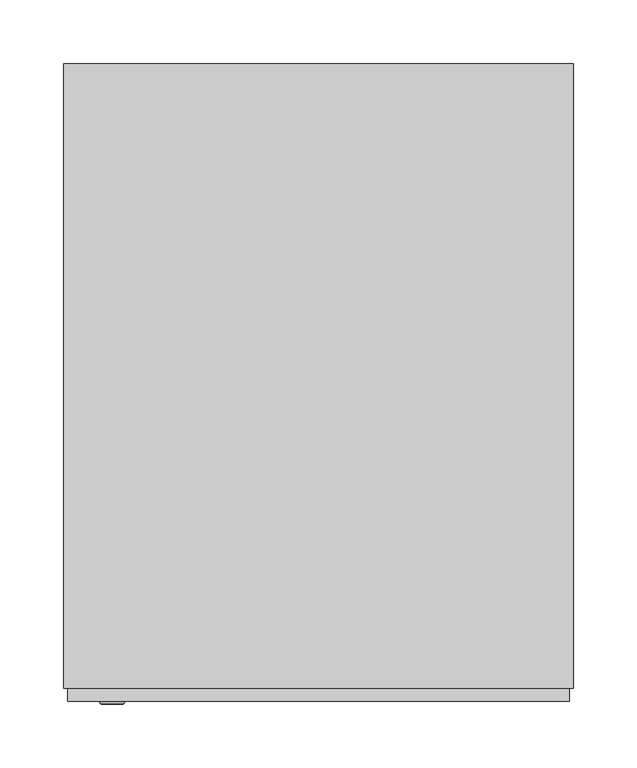
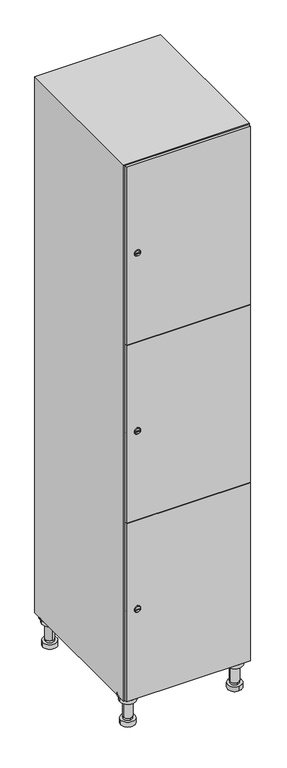
"""IFC4 building model written with IfcOpenShell, lengths in millimetres: furniture geometry."""

from ifc_helpers import new_model, si_unit, point, frame, frame_2d, origin, place, context, project, spatial, polyline, circle_curve, trimmed, segment, composite_curve, outline, extrude, faceted_brep, source, transform, mapped, element, save
from ifc_brep_helpers import plane_surface, cylinder_surface, revolved_surface, advanced_brep


def furniture_b9ff224a(model_context):
    return source(origin(), model_context, "Body", "SolidModel", [
        advanced_brep(
        [(170.0, -201.0, 22.0), (170.0, -201.5, 16.0), (170.0, -228.5, 16.0), (170.0, -229.0, 22.0), (156.0, -215.0, 22.0), (184.0, -215.0, 22.0), (170.0, -192.5, 16.0), (170.0, -237.5, 16.0), (170.0, -192.5, 0.0), (170.0, -237.5, 0.0), (184.0, -215.0, 78.0), (156.0, -215.0, 78.0), (195.0, -215.0, 78.0), (145.0, -215.0, 78.0), (200.0, -215.0, 94.0), (140.0, -215.0, 94.0), (145.0, -215.0, 94.0), (195.0, -215.0, 94.0), (200.0, -215.0, 100.0), (140.0, -215.0, 100.0)],
        [
            (0, 1),
            (1, 2, circle_curve(frame((170.0, -215.0, 16.0), z_axis=(0.0, 0.0, 1.0), x_axis=(0.0, -1.0, 0.0)), 13.5)),
            (2, 3),
            (3, 4, circle_curve(frame((170.0, -215.0, 22.0), z_axis=(0.0, 0.0, -1.0), x_axis=(0.0, -1.0, 0.0)), 14.0)),
            (4, 0, circle_curve(frame((170.0, -215.0, 22.0), z_axis=(0.0, 0.0, -1.0), x_axis=(0.0, -1.0, 0.0)), 14.0)),
            (0, 5, circle_curve(frame((170.0, -215.0, 22.0), z_axis=(0.0, 0.0, -1.0), x_axis=(0.0, 1.0, 0.0)), 14.0)),
            (5, 3, circle_curve(frame((170.0, -215.0, 22.0), z_axis=(0.0, 0.0, -1.0), x_axis=(0.0, 1.0, 0.0)), 14.0)),
            (2, 1, circle_curve(frame((170.0, -215.0, 16.0), z_axis=(0.0, 0.0, 1.0), x_axis=(0.0, 1.0, 0.0)), 13.5)),
            (6, 7, circle_curve(frame((170.0, -215.0, 16.0), z_axis=(0.0, 0.0, 1.0), x_axis=(0.0, -1.0, 0.0)), 22.5)),
            (7, 6, circle_curve(frame((170.0, -215.0, 16.0), z_axis=(0.0, 0.0, 1.0), x_axis=(0.0, -1.0, 0.0)), 22.5)),
            (8, 9, circle_curve(frame((170.0, -215.0, 0.0), z_axis=(0.0, 0.0, -1.0), x_axis=(0.0, -1.0, 0.0)), 22.5)),
            (9, 8, circle_curve(frame((170.0, -215.0, 0.0), z_axis=(0.0, 0.0, -1.0), x_axis=(0.0, -1.0, 0.0)), 22.5)),
            (6, 8),
            (9, 7),
            (5, 10),
            (10, 11, circle_curve(frame((170.0, -215.0, 78.0), z_axis=(0.0, 0.0, -1.0), x_axis=(-1.0, 0.0, 0.0)), 14.0)),
            (11, 4),
            (11, 10, circle_curve(frame((170.0, -215.0, 78.0), z_axis=(0.0, 0.0, -1.0), x_axis=(-1.0, 0.0, 0.0)), 14.0)),
            (12, 13, circle_curve(frame((170.0, -215.0, 78.0), z_axis=(0.0, 0.0, -1.0), x_axis=(-1.0, 0.0, 0.0)), 25.0)),
            (13, 12, circle_curve(frame((170.0, -215.0, 78.0), z_axis=(0.0, 0.0, -1.0), x_axis=(-1.0, 0.0, 0.0)), 25.0)),
            (14, 15, circle_curve(frame((170.0, -215.0, 94.0), z_axis=(0.0, 0.0, -1.0), x_axis=(-1.0, 0.0, 0.0)), 30.0)),
            (15, 14, circle_curve(frame((170.0, -215.0, 94.0), z_axis=(0.0, 0.0, -1.0), x_axis=(-1.0, 0.0, 0.0)), 30.0)),
            (16, 17, circle_curve(frame((170.0, -215.0, 94.0), z_axis=(0.0, 0.0, 1.0), x_axis=(-1.0, 0.0, 0.0)), 25.0)),
            (17, 16, circle_curve(frame((170.0, -215.0, 94.0), z_axis=(0.0, 0.0, 1.0), x_axis=(-1.0, 0.0, 0.0)), 25.0)),
            (18, 19, circle_curve(frame((170.0, -215.0, 100.0), z_axis=(0.0, 0.0, 1.0), x_axis=(-1.0, 0.0, 0.0)), 30.0)),
            (19, 18, circle_curve(frame((170.0, -215.0, 100.0), z_axis=(0.0, 0.0, 1.0), x_axis=(-1.0, 0.0, 0.0)), 30.0)),
            (14, 18),
            (19, 15),
            (12, 17),
            (16, 13),
        ],
        [
            revolved_surface(polyline([(170.0, -201.5, 16.0), (170.0, -201.0, 22.0)]), (170.0, -215.0, -146.0), (0.0, 0.0, 1.0)),
            plane_surface(frame((170.0, 0.0, 16.0), z_axis=(0.0, 0.0, 1.0), x_axis=(0.0, -1.0, 0.0))),
            plane_surface(frame((170.0, 0.0, 0.0), z_axis=(0.0, 0.0, -1.0), x_axis=(0.0, -1.0, 0.0))),
            cylinder_surface(frame((170.0, -215.0, 16.0), z_axis=(0.0, 0.0, 1.0), x_axis=(0.0, -1.0, 0.0)), 22.5),
            cylinder_surface(frame((170.0, -215.0, 22.0), z_axis=(0.0, 0.0, -1.0), x_axis=(-1.0, 0.0, 0.0)), 14.0),
            plane_surface(frame((170.0, 0.0, 78.0), z_axis=(0.0, 0.0, -1.0), x_axis=(0.0, -1.0, 0.0))),
            plane_surface(frame((170.0, 0.0, 94.0), z_axis=(0.0, 0.0, -1.0), x_axis=(0.0, -1.0, 0.0))),
            plane_surface(frame((170.0, 0.0, 100.0), z_axis=(0.0, 0.0, 1.0), x_axis=(0.0, -1.0, 0.0))),
            cylinder_surface(frame((170.0, -215.0, 94.0), z_axis=(0.0, 0.0, -1.0), x_axis=(-1.0, 0.0, 0.0)), 30.0),
            cylinder_surface(frame((170.0, -215.0, 78.0), z_axis=(0.0, 0.0, -1.0), x_axis=(-1.0, 0.0, 0.0)), 25.0),
        ],
        [
            (0, [[1, 2, 3, 4, 5]]),
            (0, [[-1, 6, 7, -3, 8]]),
            (1, [[9, 10], [-2, -8]]),
            (2, [[11, 12]]),
            (3, [[-9, 13, -12, 14]]),
            (3, [[-10, -14, -11, -13]]),
            (4, [[15, 16, 17, -4, -7]]),
            (4, [[-15, -6, -5, -17, 18]]),
            (5, [[19, 20], [-16, -18]]),
            (6, [[21, 22], [23, 24]]),
            (7, [[25, 26]]),
            (8, [[-21, 27, -26, 28]]),
            (8, [[-22, -28, -25, -27]]),
            (9, [[-19, 29, -23, 30]]),
            (9, [[-20, -30, -24, -29]]),
        ],
    ),
        advanced_brep(
        [(-170.0, -201.0, 22.0), (-170.0, -201.5, 16.0), (-170.0, -228.5, 16.0), (-170.0, -229.0, 22.0), (-184.0, -215.0, 22.0), (-156.0, -215.0, 22.0), (-147.5, -215.0, 0.0), (-192.5, -215.0, 0.0), (-147.5, -215.0, 16.0), (-192.5, -215.0, 16.0), (-156.0, -215.0, 78.0), (-184.0, -215.0, 78.0), (-145.0, -215.0, 78.0), (-195.0, -215.0, 78.0), (-140.0, -215.0, 94.0), (-200.0, -215.0, 94.0), (-195.0, -215.0, 94.0), (-145.0, -215.0, 94.0), (-140.0, -215.0, 100.0), (-200.0, -215.0, 100.0)],
        [
            (0, 1),
            (1, 2, circle_curve(frame((-170.0, -215.0, 16.0), z_axis=(0.0, 0.0, 1.0), x_axis=(0.0, -1.0, 0.0)), 13.5)),
            (2, 3),
            (3, 4, circle_curve(frame((-170.0, -215.0, 22.0), z_axis=(0.0, 0.0, -1.0), x_axis=(0.0, -1.0, 0.0)), 14.0)),
            (4, 0, circle_curve(frame((-170.0, -215.0, 22.0), z_axis=(0.0, 0.0, -1.0), x_axis=(0.0, -1.0, 0.0)), 14.0)),
            (0, 5, circle_curve(frame((-170.0, -215.0, 22.0), z_axis=(0.0, 0.0, -1.0), x_axis=(0.0, 1.0, 0.0)), 14.0)),
            (5, 3, circle_curve(frame((-170.0, -215.0, 22.0), z_axis=(0.0, 0.0, -1.0), x_axis=(0.0, 1.0, 0.0)), 14.0)),
            (2, 1, circle_curve(frame((-170.0, -215.0, 16.0), z_axis=(0.0, 0.0, 1.0), x_axis=(0.0, 1.0, 0.0)), 13.5)),
            (6, 7, circle_curve(frame((-170.0, -215.0, 0.0), z_axis=(0.0, 0.0, -1.0), x_axis=(-1.0, 0.0, 0.0)), 22.5)),
            (7, 6, circle_curve(frame((-170.0, -215.0, 0.0), z_axis=(0.0, 0.0, -1.0), x_axis=(-1.0, 0.0, 0.0)), 22.5)),
            (8, 9, circle_curve(frame((-170.0, -215.0, 16.0), z_axis=(0.0, 0.0, 1.0), x_axis=(-1.0, 0.0, 0.0)), 22.5)),
            (9, 8, circle_curve(frame((-170.0, -215.0, 16.0), z_axis=(0.0, 0.0, 1.0), x_axis=(-1.0, 0.0, 0.0)), 22.5)),
            (6, 8),
            (9, 7),
            (5, 10),
            (10, 11, circle_curve(frame((-170.0, -215.0, 78.0), z_axis=(0.0, 0.0, -1.0), x_axis=(-1.0, 0.0, 0.0)), 14.0)),
            (11, 4),
            (11, 10, circle_curve(frame((-170.0, -215.0, 78.0), z_axis=(0.0, 0.0, -1.0), x_axis=(-1.0, 0.0, 0.0)), 14.0)),
            (12, 13, circle_curve(frame((-170.0, -215.0, 78.0), z_axis=(0.0, 0.0, -1.0), x_axis=(-1.0, 0.0, 0.0)), 25.0)),
            (13, 12, circle_curve(frame((-170.0, -215.0, 78.0), z_axis=(0.0, 0.0, -1.0), x_axis=(-1.0, 0.0, 0.0)), 25.0)),
            (14, 15, circle_curve(frame((-170.0, -215.0, 94.0), z_axis=(0.0, 0.0, -1.0), x_axis=(-1.0, 0.0, 0.0)), 30.0)),
            (15, 14, circle_curve(frame((-170.0, -215.0, 94.0), z_axis=(0.0, 0.0, -1.0), x_axis=(-1.0, 0.0, 0.0)), 30.0)),
            (16, 17, circle_curve(frame((-170.0, -215.0, 94.0), z_axis=(0.0, 0.0, 1.0), x_axis=(-1.0, 0.0, 0.0)), 25.0)),
            (17, 16, circle_curve(frame((-170.0, -215.0, 94.0), z_axis=(0.0, 0.0, 1.0), x_axis=(-1.0, 0.0, 0.0)), 25.0)),
            (18, 19, circle_curve(frame((-170.0, -215.0, 100.0), z_axis=(0.0, 0.0, 1.0), x_axis=(-1.0, 0.0, 0.0)), 30.0)),
            (19, 18, circle_curve(frame((-170.0, -215.0, 100.0), z_axis=(0.0, 0.0, 1.0), x_axis=(-1.0, 0.0, 0.0)), 30.0)),
            (14, 18),
            (19, 15),
            (12, 17),
            (16, 13),
        ],
        [
            revolved_surface(polyline([(-170.0, -201.5, 16.0), (-170.0, -201.0, 22.0)]), (-170.0, -215.0, -146.0), (0.0, 0.0, 1.0)),
            plane_surface(frame((-170.0, 0.0, 0.0), z_axis=(0.0, 0.0, -1.0), x_axis=(0.0, -1.0, 0.0))),
            plane_surface(frame((-170.0, 0.0, 16.0), z_axis=(0.0, 0.0, 1.0), x_axis=(0.0, -1.0, 0.0))),
            cylinder_surface(frame((-170.0, -215.0, 0.0), z_axis=(0.0, 0.0, -1.0), x_axis=(-1.0, 0.0, 0.0)), 22.5),
            cylinder_surface(frame((-170.0, -215.0, 22.0), z_axis=(0.0, 0.0, -1.0), x_axis=(-1.0, 0.0, 0.0)), 14.0),
            plane_surface(frame((-170.0, 0.0, 78.0), z_axis=(0.0, 0.0, -1.0), x_axis=(0.0, -1.0, 0.0))),
            plane_surface(frame((-170.0, 0.0, 94.0), z_axis=(0.0, 0.0, -1.0), x_axis=(0.0, -1.0, 0.0))),
            plane_surface(frame((-170.0, 0.0, 100.0), z_axis=(0.0, 0.0, 1.0), x_axis=(0.0, -1.0, 0.0))),
            cylinder_surface(frame((-170.0, -215.0, 94.0), z_axis=(0.0, 0.0, -1.0), x_axis=(-1.0, 0.0, 0.0)), 30.0),
            cylinder_surface(frame((-170.0, -215.0, 78.0), z_axis=(0.0, 0.0, -1.0), x_axis=(-1.0, 0.0, 0.0)), 25.0),
        ],
        [
            (0, [[1, 2, 3, 4, 5]]),
            (0, [[-1, 6, 7, -3, 8]]),
            (1, [[9, 10]]),
            (2, [[11, 12], [-2, -8]]),
            (3, [[-9, 13, -12, 14]]),
            (3, [[-10, -14, -11, -13]]),
            (4, [[15, 16, 17, -4, -7]]),
            (4, [[-15, -6, -5, -17, 18]]),
            (5, [[19, 20], [-16, -18]]),
            (6, [[21, 22], [23, 24]]),
            (7, [[25, 26]]),
            (8, [[-21, 27, -26, 28]]),
            (8, [[-22, -28, -25, -27]]),
            (9, [[-19, 29, -23, 30]]),
            (9, [[-20, -30, -24, -29]]),
        ],
    ),
        advanced_brep(
        [(183.5, 215.0, 16.0), (184.0, 215.0, 22.0), (156.0, 215.0, 22.0), (156.5, 215.0, 16.0), (192.5, 215.0, 0.0), (147.5, 215.0, 0.0), (192.5, 215.0, 16.0), (147.5, 215.0, 16.0), (184.0, 215.0, 78.0), (156.0, 215.0, 78.0), (195.0, 215.0, 78.0), (145.0, 215.0, 78.0), (200.0, 215.0, 94.0), (140.0, 215.0, 94.0), (145.0, 215.0, 94.0), (195.0, 215.0, 94.0), (200.0, 215.0, 100.0), (140.0, 215.0, 100.0)],
        [
            (0, 1),
            (1, 2, circle_curve(frame((170.0, 215.0, 22.0), z_axis=(0.0, 0.0, -1.0), x_axis=(-1.0, 0.0, 0.0)), 14.0)),
            (2, 3),
            (3, 0, circle_curve(frame((170.0, 215.0, 16.0), z_axis=(0.0, 0.0, 1.0), x_axis=(-1.0, 0.0, 0.0)), 13.5)),
            (0, 3, circle_curve(frame((170.0, 215.0, 16.0), z_axis=(0.0, 0.0, 1.0), x_axis=(1.0, 0.0, 0.0)), 13.5)),
            (2, 1, circle_curve(frame((170.0, 215.0, 22.0), z_axis=(0.0, 0.0, -1.0), x_axis=(1.0, 0.0, 0.0)), 14.0)),
            (4, 5, circle_curve(frame((170.0, 215.0, 0.0), z_axis=(0.0, 0.0, -1.0), x_axis=(-1.0, 0.0, 0.0)), 22.5)),
            (5, 4, circle_curve(frame((170.0, 215.0, 0.0), z_axis=(0.0, 0.0, -1.0), x_axis=(-1.0, 0.0, 0.0)), 22.5)),
            (6, 7, circle_curve(frame((170.0, 215.0, 16.0), z_axis=(0.0, 0.0, 1.0), x_axis=(-1.0, 0.0, 0.0)), 22.5)),
            (7, 6, circle_curve(frame((170.0, 215.0, 16.0), z_axis=(0.0, 0.0, 1.0), x_axis=(-1.0, 0.0, 0.0)), 22.5)),
            (4, 6),
            (7, 5),
            (1, 8),
            (8, 9, circle_curve(frame((170.0, 215.0, 78.0), z_axis=(0.0, 0.0, -1.0), x_axis=(-1.0, 0.0, 0.0)), 14.0)),
            (9, 2),
            (9, 8, circle_curve(frame((170.0, 215.0, 78.0), z_axis=(0.0, 0.0, -1.0), x_axis=(-1.0, 0.0, 0.0)), 14.0)),
            (10, 11, circle_curve(frame((170.0, 215.0, 78.0), z_axis=(0.0, 0.0, -1.0), x_axis=(-1.0, 0.0, 0.0)), 25.0)),
            (11, 10, circle_curve(frame((170.0, 215.0, 78.0), z_axis=(0.0, 0.0, -1.0), x_axis=(-1.0, 0.0, 0.0)), 25.0)),
            (12, 13, circle_curve(frame((170.0, 215.0, 94.0), z_axis=(0.0, 0.0, -1.0), x_axis=(-1.0, 0.0, 0.0)), 30.0)),
            (13, 12, circle_curve(frame((170.0, 215.0, 94.0), z_axis=(0.0, 0.0, -1.0), x_axis=(-1.0, 0.0, 0.0)), 30.0)),
            (14, 15, circle_curve(frame((170.0, 215.0, 94.0), z_axis=(0.0, 0.0, 1.0), x_axis=(-1.0, 0.0, 0.0)), 25.0)),
            (15, 14, circle_curve(frame((170.0, 215.0, 94.0), z_axis=(0.0, 0.0, 1.0), x_axis=(-1.0, 0.0, 0.0)), 25.0)),
            (16, 17, circle_curve(frame((170.0, 215.0, 100.0), z_axis=(0.0, 0.0, 1.0), x_axis=(-1.0, 0.0, 0.0)), 30.0)),
            (17, 16, circle_curve(frame((170.0, 215.0, 100.0), z_axis=(0.0, 0.0, 1.0), x_axis=(-1.0, 0.0, 0.0)), 30.0)),
            (12, 16),
            (17, 13),
            (10, 15),
            (14, 11),
        ],
        [
            revolved_surface(polyline([(183.5, 215.0, 16.0), (184.0, 215.0, 22.0)]), (170.0, 215.0, -146.0), (0.0, 0.0, 1.0)),
            plane_surface(frame((170.0, 0.0, 0.0), z_axis=(0.0, 0.0, -1.0), x_axis=(0.0, -1.0, 0.0))),
            plane_surface(frame((170.0, 0.0, 16.0), z_axis=(0.0, 0.0, 1.0), x_axis=(0.0, -1.0, 0.0))),
            cylinder_surface(frame((170.0, 215.0, 0.0), z_axis=(0.0, 0.0, -1.0), x_axis=(-1.0, 0.0, 0.0)), 22.5),
            cylinder_surface(frame((170.0, 215.0, 22.0), z_axis=(0.0, 0.0, -1.0), x_axis=(-1.0, 0.0, 0.0)), 14.0),
            plane_surface(frame((170.0, 0.0, 78.0), z_axis=(0.0, 0.0, -1.0), x_axis=(0.0, -1.0, 0.0))),
            plane_surface(frame((170.0, 0.0, 94.0), z_axis=(0.0, 0.0, -1.0), x_axis=(0.0, -1.0, 0.0))),
            plane_surface(frame((170.0, 0.0, 100.0), z_axis=(0.0, 0.0, 1.0), x_axis=(0.0, -1.0, 0.0))),
            cylinder_surface(frame((170.0, 215.0, 94.0), z_axis=(0.0, 0.0, -1.0), x_axis=(-1.0, 0.0, 0.0)), 30.0),
            cylinder_surface(frame((170.0, 215.0, 78.0), z_axis=(0.0, 0.0, -1.0), x_axis=(-1.0, 0.0, 0.0)), 25.0),
        ],
        [
            (0, [[1, 2, 3, 4]]),
            (0, [[-1, 5, -3, 6]]),
            (1, [[7, 8]]),
            (2, [[9, 10], [-4, -5]]),
            (3, [[-7, 11, -10, 12]]),
            (3, [[-8, -12, -9, -11]]),
            (4, [[13, 14, 15, -2]]),
            (4, [[-13, -6, -15, 16]]),
            (5, [[17, 18], [-14, -16]]),
            (6, [[19, 20], [21, 22]]),
            (7, [[23, 24]]),
            (8, [[-19, 25, -24, 26]]),
            (8, [[-20, -26, -23, -25]]),
            (9, [[-17, 27, -21, 28]]),
            (9, [[-18, -28, -22, -27]]),
        ],
    ),
        advanced_brep(
        [(-156.5, 215.0, 16.0), (-156.0, 215.0, 22.0), (-170.0, 201.0, 22.0), (-184.0, 215.0, 22.0), (-183.5, 215.0, 16.0), (-170.0, 229.0, 22.0), (-147.5, 215.0, 0.0), (-192.5, 215.0, 0.0), (-147.5, 215.0, 16.0), (-192.5, 215.0, 16.0), (-170.0, 229.0, 78.0), (-170.0, 201.0, 78.0), (-145.0, 215.0, 78.0), (-195.0, 215.0, 78.0), (-140.0, 215.0, 94.0), (-200.0, 215.0, 94.0), (-195.0, 215.0, 94.0), (-145.0, 215.0, 94.0), (-140.0, 215.0, 100.0), (-200.0, 215.0, 100.0)],
        [
            (0, 1),
            (1, 2, circle_curve(frame((-170.0, 215.0, 22.0), z_axis=(0.0, 0.0, -1.0), x_axis=(-1.0, 0.0, 0.0)), 14.0)),
            (2, 3, circle_curve(frame((-170.0, 215.0, 22.0), z_axis=(0.0, 0.0, -1.0), x_axis=(-1.0, 0.0, 0.0)), 14.0)),
            (3, 4),
            (4, 0, circle_curve(frame((-170.0, 215.0, 16.0), z_axis=(0.0, 0.0, 1.0), x_axis=(-1.0, 0.0, 0.0)), 13.5)),
            (0, 4, circle_curve(frame((-170.0, 215.0, 16.0), z_axis=(0.0, 0.0, 1.0), x_axis=(1.0, 0.0, 0.0)), 13.5)),
            (3, 5, circle_curve(frame((-170.0, 215.0, 22.0), z_axis=(0.0, 0.0, -1.0), x_axis=(1.0, 0.0, 0.0)), 14.0)),
            (5, 1, circle_curve(frame((-170.0, 215.0, 22.0), z_axis=(0.0, 0.0, -1.0), x_axis=(1.0, 0.0, 0.0)), 14.0)),
            (6, 7, circle_curve(frame((-170.0, 215.0, 0.0), z_axis=(0.0, 0.0, -1.0), x_axis=(-1.0, 0.0, 0.0)), 22.5)),
            (7, 6, circle_curve(frame((-170.0, 215.0, 0.0), z_axis=(0.0, 0.0, -1.0), x_axis=(-1.0, 0.0, 0.0)), 22.5)),
            (8, 9, circle_curve(frame((-170.0, 215.0, 16.0), z_axis=(0.0, 0.0, 1.0), x_axis=(-1.0, 0.0, 0.0)), 22.5)),
            (9, 8, circle_curve(frame((-170.0, 215.0, 16.0), z_axis=(0.0, 0.0, 1.0), x_axis=(-1.0, 0.0, 0.0)), 22.5)),
            (6, 8),
            (9, 7),
            (10, 5),
            (2, 11),
            (11, 10, circle_curve(frame((-170.0, 215.0, 78.0), z_axis=(0.0, 0.0, -1.0), x_axis=(0.0, -1.0, 0.0)), 14.0)),
            (10, 11, circle_curve(frame((-170.0, 215.0, 78.0), z_axis=(0.0, 0.0, -1.0), x_axis=(0.0, -1.0, 0.0)), 14.0)),
            (12, 13, circle_curve(frame((-170.0, 215.0, 78.0), z_axis=(0.0, 0.0, -1.0), x_axis=(-1.0, 0.0, 0.0)), 25.0)),
            (13, 12, circle_curve(frame((-170.0, 215.0, 78.0), z_axis=(0.0, 0.0, -1.0), x_axis=(-1.0, 0.0, 0.0)), 25.0)),
            (14, 15, circle_curve(frame((-170.0, 215.0, 94.0), z_axis=(0.0, 0.0, -1.0), x_axis=(-1.0, 0.0, 0.0)), 30.0)),
            (15, 14, circle_curve(frame((-170.0, 215.0, 94.0), z_axis=(0.0, 0.0, -1.0), x_axis=(-1.0, 0.0, 0.0)), 30.0)),
            (16, 17, circle_curve(frame((-170.0, 215.0, 94.0), z_axis=(0.0, 0.0, 1.0), x_axis=(-1.0, 0.0, 0.0)), 25.0)),
            (17, 16, circle_curve(frame((-170.0, 215.0, 94.0), z_axis=(0.0, 0.0, 1.0), x_axis=(-1.0, 0.0, 0.0)), 25.0)),
            (18, 19, circle_curve(frame((-170.0, 215.0, 100.0), z_axis=(0.0, 0.0, 1.0), x_axis=(-1.0, 0.0, 0.0)), 30.0)),
            (19, 18, circle_curve(frame((-170.0, 215.0, 100.0), z_axis=(0.0, 0.0, 1.0), x_axis=(-1.0, 0.0, 0.0)), 30.0)),
            (14, 18),
            (19, 15),
            (12, 17),
            (16, 13),
        ],
        [
            revolved_surface(polyline([(-156.5, 215.0, 16.0), (-156.0, 215.0, 22.0)]), (-170.0, 215.0, -146.0), (0.0, 0.0, 1.0)),
            plane_surface(frame((-170.0, 0.0, 0.0), z_axis=(0.0, 0.0, -1.0), x_axis=(0.0, -1.0, 0.0))),
            plane_surface(frame((-170.0, 0.0, 16.0), z_axis=(0.0, 0.0, 1.0), x_axis=(0.0, -1.0, 0.0))),
            cylinder_surface(frame((-170.0, 215.0, 0.0), z_axis=(0.0, 0.0, -1.0), x_axis=(-1.0, 0.0, 0.0)), 22.5),
            cylinder_surface(frame((-170.0, 215.0, 78.0), z_axis=(0.0, 0.0, 1.0), x_axis=(0.0, -1.0, 0.0)), 14.0),
            plane_surface(frame((-170.0, 0.0, 78.0), z_axis=(0.0, 0.0, -1.0), x_axis=(0.0, -1.0, 0.0))),
            plane_surface(frame((-170.0, 0.0, 94.0), z_axis=(0.0, 0.0, -1.0), x_axis=(0.0, -1.0, 0.0))),
            plane_surface(frame((-170.0, 0.0, 100.0), z_axis=(0.0, 0.0, 1.0), x_axis=(0.0, -1.0, 0.0))),
            cylinder_surface(frame((-170.0, 215.0, 94.0), z_axis=(0.0, 0.0, -1.0), x_axis=(-1.0, 0.0, 0.0)), 30.0),
            cylinder_surface(frame((-170.0, 215.0, 78.0), z_axis=(0.0, 0.0, -1.0), x_axis=(-1.0, 0.0, 0.0)), 25.0),
        ],
        [
            (0, [[1, 2, 3, 4, 5]]),
            (0, [[-1, 6, -4, 7, 8]]),
            (1, [[9, 10]]),
            (2, [[11, 12], [-5, -6]]),
            (3, [[-9, 13, -12, 14]]),
            (3, [[-10, -14, -11, -13]]),
            (4, [[15, -7, -3, 16, 17]]),
            (4, [[-15, 18, -16, -2, -8]]),
            (5, [[19, 20], [-17, -18]]),
            (6, [[21, 22], [23, 24]]),
            (7, [[25, 26]]),
            (8, [[-21, 27, -26, 28]]),
            (8, [[-22, -28, -25, -27]]),
            (9, [[-19, 29, -23, 30]]),
            (9, [[-20, -30, -24, -29]]),
        ],
    ),
        extrude(outline(composite_curve([segment(trimmed(circle_curve(frame_2d((402.0, -188.7989466)), 7.0), [point((409.0, -188.7989466))], [point((395.0, -188.7989466))], False, "CARTESIAN"), True, "CONTINUOUS"), segment(polyline([(395.0, -188.7989466), (395.0, -160.7989466)]), True, "CONTINUOUS"), segment(trimmed(circle_curve(frame_2d((402.0, -160.7989466)), 7.0), [point((395.0, -160.7989466))], [point((409.0, -160.7989466))], False, "CARTESIAN"), True, "CONTINUOUS"), segment(polyline([(409.0, -160.7989466), (409.0, -188.7989466)]), True, "CONTINUOUS")], self_intersect=False)), frame((0.0, -245.0, 0.0), z_axis=(0.0, 1.0, 0.0), x_axis=(0.0, 0.0, 1.0)), (0.0, 0.0, 1.0), 2.0),
        advanced_brep(
        [(-153.5, -257.2, 402.0), (-170.5, -257.2, 402.0), (-167.0, -257.2, 400.75), (-167.0, -257.2, 403.25), (-157.0, -257.2, 403.25), (-157.0, -257.2, 400.75), (-151.5, -255.0, 402.0), (-172.5, -255.0, 402.0), (-167.0, -255.0, 403.25), (-167.0, -255.0, 400.75), (-157.0, -255.0, 400.75), (-157.0, -255.0, 403.25)],
        [
            (0, 1, circle_curve(frame((-162.0, -257.2, 402.0), z_axis=(0.0, -1.0, 0.0), x_axis=(1.0, 0.0, 0.0)), 8.5)),
            (1, 0, circle_curve(frame((-162.0, -257.2, 402.0), z_axis=(0.0, -1.0, 0.0), x_axis=(-1.0, 0.0, 0.0)), 8.5)),
            (2, 3),
            (3, 4),
            (4, 5),
            (5, 2),
            (6, 7, circle_curve(frame((-162.0, -255.0, 402.0), z_axis=(0.0, 1.0, 0.0), x_axis=(-1.0, 0.0, 0.0)), 10.5)),
            (7, 6, circle_curve(frame((-162.0, -255.0, 402.0), z_axis=(0.0, 1.0, 0.0), x_axis=(1.0, 0.0, 0.0)), 10.5)),
            (8, 9),
            (9, 10),
            (10, 11),
            (11, 8),
            (0, 6),
            (7, 1),
            (8, 3),
            (2, 9),
            (11, 4),
            (10, 5),
        ],
        [
            plane_surface(frame((-162.0, -257.2, 402.0), z_axis=(0.0, -1.0, 0.0), x_axis=(0.0, 0.0, 1.0))),
            plane_surface(frame((-162.0, -255.0, 402.0), z_axis=(0.0, 1.0, 0.0), x_axis=(0.0, 0.0, 1.0))),
            revolved_surface(polyline([(-153.5, -257.2, 402.0), (-151.5, -255.0, 402.0)]), (-162.0, -266.55, 402.0), (0.0, 1.0, 0.0)),
            revolved_surface(polyline([(-170.5, -257.2, 402.0), (-172.5, -255.0, 402.0)]), (-162.0, -266.55, 402.0), (0.0, 1.0, 0.0)),
            plane_surface(frame((-167.0, -255.0, 400.75), z_axis=(1.0, 0.0, 0.0), x_axis=(0.0, -1.0, 0.0))),
            plane_surface(frame((-167.0, -255.0, 403.25), z_axis=(0.0, 0.0, -1.0), x_axis=(0.0, -1.0, 0.0))),
            plane_surface(frame((-157.0, -255.0, 403.25), z_axis=(-1.0, 0.0, 0.0), x_axis=(0.0, -1.0, 0.0))),
            plane_surface(frame((-157.0, -255.0, 400.75), z_axis=(0.0, 0.0, 1.0), x_axis=(0.0, -1.0, 0.0))),
        ],
        [
            (0, [[1, 2], [3, 4, 5, 6]]),
            (1, [[7, 8], [9, 10, 11, 12]]),
            (2, [[-1, 13, -8, 14]]),
            (3, [[-2, -14, -7, -13]]),
            (4, [[15, -3, 16, -9]]),
            (5, [[-15, -12, 17, -4]]),
            (6, [[-17, -11, 18, -5]]),
            (7, [[-16, -6, -18, -10]]),
        ],
    ),
        extrude(outline(composite_curve([segment(trimmed(circle_curve(frame_2d((1000.0, -188.7989466)), 7.0), [point((1007.0, -188.7989466))], [point((993.0, -188.7989466))], False, "CARTESIAN"), True, "CONTINUOUS"), segment(polyline([(993.0, -188.7989466), (993.0, -160.7989466)]), True, "CONTINUOUS"), segment(trimmed(circle_curve(frame_2d((1000.0, -160.7989466)), 7.0), [point((993.0, -160.7989466))], [point((1007.0, -160.7989466))], False, "CARTESIAN"), True, "CONTINUOUS"), segment(polyline([(1007.0, -160.7989466), (1007.0, -188.7989466)]), True, "CONTINUOUS")], self_intersect=False)), frame((0.0, -245.0, 0.0), z_axis=(0.0, 1.0, 0.0), x_axis=(0.0, 0.0, 1.0)), (0.0, 0.0, 1.0), 2.0),
        advanced_brep(
        [(-153.5, -257.2, 1000.0), (-170.5, -257.2, 1000.0), (-167.0, -257.2, 998.75), (-167.0, -257.2, 1001.25), (-157.0, -257.2, 1001.25), (-157.0, -257.2, 998.75), (-151.5, -255.0, 1000.0), (-172.5, -255.0, 1000.0), (-167.0, -255.0, 1001.25), (-167.0, -255.0, 998.75), (-157.0, -255.0, 998.75), (-157.0, -255.0, 1001.25)],
        [
            (0, 1, circle_curve(frame((-162.0, -257.2, 1000.0), z_axis=(0.0, -1.0, 0.0), x_axis=(1.0, 0.0, 0.0)), 8.5)),
            (1, 0, circle_curve(frame((-162.0, -257.2, 1000.0), z_axis=(0.0, -1.0, 0.0), x_axis=(-1.0, 0.0, 0.0)), 8.5)),
            (2, 3),
            (3, 4),
            (4, 5),
            (5, 2),
            (6, 7, circle_curve(frame((-162.0, -255.0, 1000.0), z_axis=(0.0, 1.0, 0.0), x_axis=(-1.0, 0.0, 0.0)), 10.5)),
            (7, 6, circle_curve(frame((-162.0, -255.0, 1000.0), z_axis=(0.0, 1.0, 0.0), x_axis=(1.0, 0.0, 0.0)), 10.5)),
            (8, 9),
            (9, 10),
            (10, 11),
            (11, 8),
            (0, 6),
            (7, 1),
            (8, 3),
            (2, 9),
            (11, 4),
            (10, 5),
        ],
        [
            plane_surface(frame((-162.0, -257.2, 1000.0), z_axis=(0.0, -1.0, 0.0), x_axis=(0.0, 0.0, 1.0))),
            plane_surface(frame((-162.0, -255.0, 1000.0), z_axis=(0.0, 1.0, 0.0), x_axis=(0.0, 0.0, 1.0))),
            revolved_surface(polyline([(-153.5, -257.2, 1000.0), (-151.5, -255.0, 1000.0)]), (-162.0, -266.55, 1000.0), (0.0, 1.0, 0.0)),
            revolved_surface(polyline([(-170.5, -257.2, 1000.0), (-172.5, -255.0, 1000.0)]), (-162.0, -266.55, 1000.0), (0.0, 1.0, 0.0)),
            plane_surface(frame((-167.0, -255.0, 998.75), z_axis=(1.0, 0.0, 0.0), x_axis=(0.0, -1.0, 0.0))),
            plane_surface(frame((-167.0, -255.0, 1001.25), z_axis=(0.0, 0.0, -1.0), x_axis=(0.0, -1.0, 0.0))),
            plane_surface(frame((-157.0, -255.0, 1001.25), z_axis=(-1.0, 0.0, 0.0), x_axis=(0.0, -1.0, 0.0))),
            plane_surface(frame((-157.0, -255.0, 998.75), z_axis=(0.0, 0.0, 1.0), x_axis=(0.0, -1.0, 0.0))),
        ],
        [
            (0, [[1, 2], [3, 4, 5, 6]]),
            (1, [[7, 8], [9, 10, 11, 12]]),
            (2, [[-1, 13, -8, 14]]),
            (3, [[-2, -14, -7, -13]]),
            (4, [[15, -3, 16, -9]]),
            (5, [[-15, -12, 17, -4]]),
            (6, [[-17, -11, 18, -5]]),
            (7, [[-16, -6, -18, -10]]),
        ],
    ),
        extrude(outline(composite_curve([segment(trimmed(circle_curve(frame_2d((1598.0, -188.7989466)), 7.0), [point((1605.0, -188.7989466))], [point((1591.0, -188.7989466))], False, "CARTESIAN"), True, "CONTINUOUS"), segment(polyline([(1591.0, -188.7989466), (1591.0, -160.7989466)]), True, "CONTINUOUS"), segment(trimmed(circle_curve(frame_2d((1598.0, -160.7989466)), 7.0), [point((1591.0, -160.7989466))], [point((1605.0, -160.7989466))], False, "CARTESIAN"), True, "CONTINUOUS"), segment(polyline([(1605.0, -160.7989466), (1605.0, -188.7989466)]), True, "CONTINUOUS")], self_intersect=False)), frame((0.0, -245.0, 0.0), z_axis=(0.0, 1.0, 0.0), x_axis=(0.0, 0.0, 1.0)), (0.0, 0.0, 1.0), 2.0),
        advanced_brep(
        [(-153.5, -257.2, 1598.0), (-170.5, -257.2, 1598.0), (-167.0, -257.2, 1596.75), (-167.0, -257.2, 1599.25), (-157.0, -257.2, 1599.25), (-157.0, -257.2, 1596.75), (-151.5, -255.0, 1598.0), (-172.5, -255.0, 1598.0), (-167.0, -255.0, 1599.25), (-167.0, -255.0, 1596.75), (-157.0, -255.0, 1596.75), (-157.0, -255.0, 1599.25)],
        [
            (0, 1, circle_curve(frame((-162.0, -257.2, 1598.0), z_axis=(0.0, -1.0, 0.0), x_axis=(1.0, 0.0, 0.0)), 8.5)),
            (1, 0, circle_curve(frame((-162.0, -257.2, 1598.0), z_axis=(0.0, -1.0, 0.0), x_axis=(-1.0, 0.0, 0.0)), 8.5)),
            (2, 3),
            (3, 4),
            (4, 5),
            (5, 2),
            (6, 7, circle_curve(frame((-162.0, -255.0, 1598.0), z_axis=(0.0, 1.0, 0.0), x_axis=(-1.0, 0.0, 0.0)), 10.5)),
            (7, 6, circle_curve(frame((-162.0, -255.0, 1598.0), z_axis=(0.0, 1.0, 0.0), x_axis=(1.0, 0.0, 0.0)), 10.5)),
            (8, 9),
            (9, 10),
            (10, 11),
            (11, 8),
            (0, 6),
            (7, 1),
            (8, 3),
            (2, 9),
            (11, 4),
            (10, 5),
        ],
        [
            plane_surface(frame((-162.0, -257.2, 1598.0), z_axis=(0.0, -1.0, 0.0), x_axis=(0.0, 0.0, 1.0))),
            plane_surface(frame((-162.0, -255.0, 1598.0), z_axis=(0.0, 1.0, 0.0), x_axis=(0.0, 0.0, 1.0))),
            revolved_surface(polyline([(-153.5, -257.2, 1598.0), (-151.5, -255.0, 1598.0)]), (-162.0, -266.55, 1598.0), (0.0, 1.0, 0.0)),
            revolved_surface(polyline([(-170.5, -257.2, 1598.0), (-172.5, -255.0, 1598.0)]), (-162.0, -266.55, 1598.0), (0.0, 1.0, 0.0)),
            plane_surface(frame((-167.0, -255.0, 1596.75), z_axis=(1.0, 0.0, 0.0), x_axis=(0.0, -1.0, 0.0))),
            plane_surface(frame((-167.0, -255.0, 1599.25), z_axis=(0.0, 0.0, -1.0), x_axis=(0.0, -1.0, 0.0))),
            plane_surface(frame((-157.0, -255.0, 1599.25), z_axis=(-1.0, 0.0, 0.0), x_axis=(0.0, -1.0, 0.0))),
            plane_surface(frame((-157.0, -255.0, 1596.75), z_axis=(0.0, 0.0, 1.0), x_axis=(0.0, -1.0, 0.0))),
        ],
        [
            (0, [[1, 2], [3, 4, 5, 6]]),
            (1, [[7, 8], [9, 10, 11, 12]]),
            (2, [[-1, 13, -8, 14]]),
            (3, [[-2, -14, -7, -13]]),
            (4, [[15, -3, 16, -9]]),
            (5, [[-15, -12, 17, -4]]),
            (6, [[-17, -11, 18, -5]]),
            (7, [[-16, -6, -18, -10]]),
        ],
    ),
        extrude(outline(polyline([(197.0, -245.0), (197.0, -255.0), (-197.0, -255.0), (-197.0, -245.0), (197.0, -245.0)])), frame((0.0, 0.0, 701.5), z_axis=(0.0, 0.0, 1.0), x_axis=(1.0, 0.0, 0.0)), (0.0, 0.0, 1.0), 597.0),
        extrude(outline(polyline([(-197.0, -255.0), (-197.0, -245.0), (197.0, -245.0), (197.0, -255.0), (-197.0, -255.0)])), frame((0.0, 0.0, 1299.5), z_axis=(0.0, 0.0, 1.0), x_axis=(1.0, 0.0, 0.0)), (0.0, 0.0, 1.0), 597.5),
        extrude(outline(polyline([(197.0, -245.0), (197.0, -255.0), (-197.0, -255.0), (-197.0, -245.0), (197.0, -245.0)])), frame((0.0, 0.0, 103.0), z_axis=(0.0, 0.0, 1.0), x_axis=(1.0, 0.0, 0.0)), (0.0, 0.0, 1.0), 597.5),
        extrude(outline(polyline([(190.0, 241.0), (190.0, -235.0), (-190.0, -235.0), (-190.0, 241.0), (190.0, 241.0)])), frame((0.0, 0.0, 1291.6666667), z_axis=(0.0, 0.0, 1.0), x_axis=(1.0, 0.0, 0.0)), (0.0, 0.0, 1.0), 10.0),
        extrude(outline(polyline([(-190.0, 241.0), (190.0, 241.0), (190.0, -235.0), (-190.0, -235.0), (-190.0, 241.0)])), frame((0.0, 0.0, 698.3333333), z_axis=(0.0, 0.0, 1.0), x_axis=(1.0, 0.0, 0.0)), (0.0, 0.0, 1.0), 10.0),
        faceted_brep([(200.0, -245.0, 100.0), (200.0, -245.0, 1900.0), (-200.0, -245.0, 1900.0), (-200.0, -245.0, 100.0), (190.0, -245.0, 1890.0), (190.0, -245.0, 110.0), (-190.0, -245.0, 110.0), (-190.0, -245.0, 1890.0), (200.0, 245.0, 100.0), (-200.0, 245.0, 100.0), (200.0, 245.0, 1900.0), (-200.0, 245.0, 1900.0), (190.0, 241.0, 1890.0), (190.0, 241.0, 110.0), (-200.0, 245.0, 1890.0), (-190.0, 241.0, 1890.0), (-190.0, 241.0, 110.0)], [[[0, 1, 2, 3], [4, 5, 6, 7]], [[8, 0, 3, 9]], [[1, 0, 8, 10]], [[1, 10, 11, 2]], [[4, 12, 13, 5]], [[9, 3, 2, 11, 14]], [[10, 8, 9, 14, 11]], [[12, 15, 16, 13]], [[15, 7, 6, 16]], [[4, 7, 15, 12]], [[6, 5, 13, 16]]]),
    ])


if __name__ == "__main__":
    model = new_model("IFC4")
    model_context = context("Model", 3, world=origin())
    ifc_project = project(units=[si_unit("LENGTHUNIT", "METRE", prefix="MILLI")], contexts=[model_context])
    site = spatial("IfcSite", under=ifc_project)
    building = spatial("IfcBuilding", under=site)
    placement = place(None, origin())
    furniture_shape = furniture_b9ff224a(model_context)
    element("IfcFurniture", 1, at=placement, inside=building, context=model_context, shape_type="MappedRepresentation", body=[
        mapped(furniture_shape, transform((0.0, 0.0, 0.0), x_axis=(1.0, 0.0, 0.0), y_axis=(0.0, 1.0, 0.0), z_axis=(0.0, 0.0, 1.0))),
    ])
    save(model, "model.ifc")
